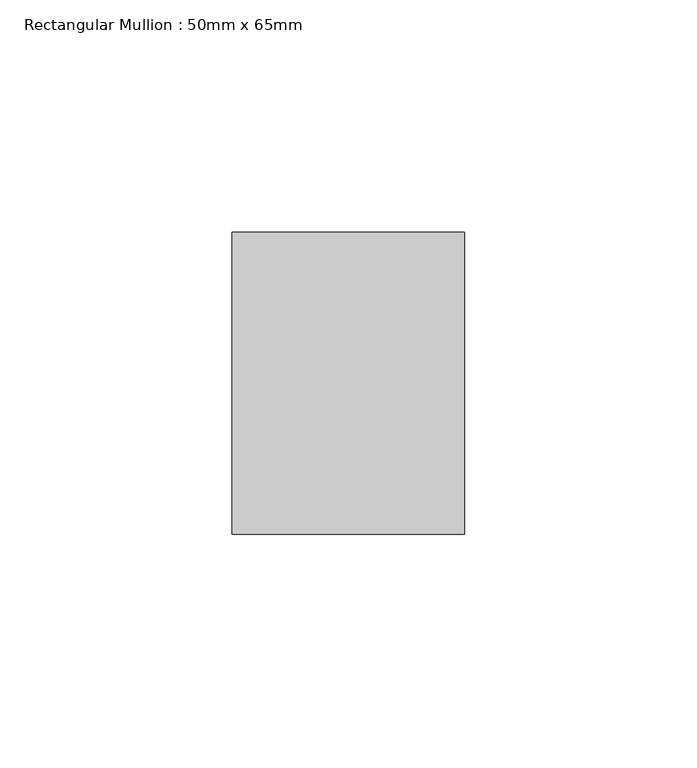
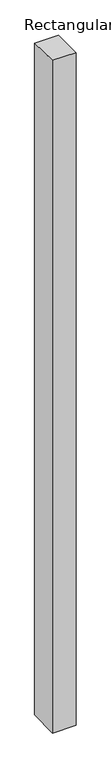
"""IFC4 building model written with IfcOpenShell, lengths in millimetres: member geometry, Rectangular Mullion : 50mm x 65mm."""

from ifc_helpers import new_model, si_unit, origin, place, context, project, spatial, faceted_brep, source, transform, mapped, element, save


def rectangular_mullion_50mm_x_65mm_f656f8e5(model_context):
    return source(origin(), model_context, "Body", "Brep", [
        faceted_brep([(-25.0, 32.5, -0.4518154), (25.0, 32.5, -0.4518131), (25.0, 32.5, -1499.4319271), (-25.0, 32.5, -1499.4319242), (-25.0, -32.5, 0.4518131), (-25.0, -32.5, -1500.5685628), (25.0, -32.5, 0.4518154), (25.0, -32.5, -1500.5685657)], [[[0, 1, 2, 3]], [[4, 0, 3, 5]], [[6, 4, 5, 7]], [[1, 6, 7, 2]], [[1, 0, 4, 6]], [[2, 7, 5, 3]]]),
    ])


if __name__ == "__main__":
    model = new_model("IFC4")
    model_context = context("Model", 3, world=origin())
    ifc_project = project(units=[si_unit("LENGTHUNIT", "METRE", prefix="MILLI")], contexts=[model_context])
    site = spatial("IfcSite", under=ifc_project)
    building = spatial("IfcBuilding", under=site)
    placement = place(None, origin())
    rectangular_mullion_50mm_x_65mm_shape = rectangular_mullion_50mm_x_65mm_f656f8e5(model_context)
    element("IfcMember", 1, ObjectType="Rectangular Mullion : 50mm x 65mm", at=placement, inside=building, context=model_context, shape_type="MappedRepresentation", body=[
        mapped(rectangular_mullion_50mm_x_65mm_shape, transform((0.0, 0.0, 0.0), x_axis=(1.0, 0.0, 0.0), y_axis=(0.0, 1.0, 0.0), z_axis=(0.0, 0.0, 1.0))),
    ])
    save(model, "model.ifc")
